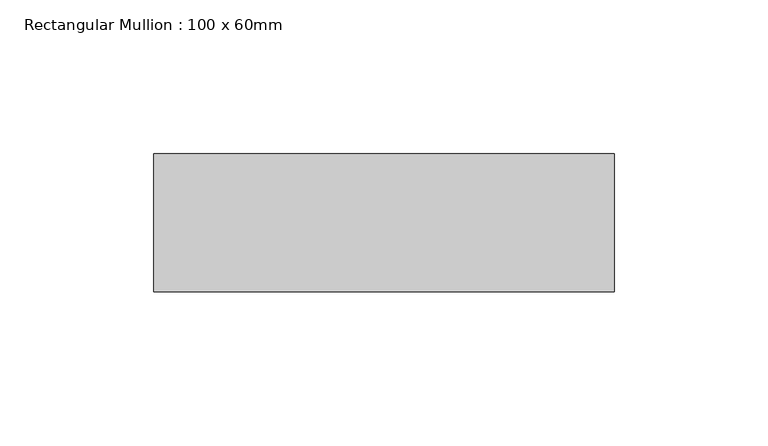
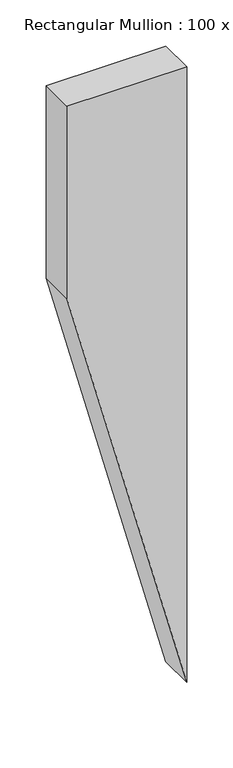
"""IFC4 building model written with IfcOpenShell, lengths in millimetres: member geometry, Rectangular Mullion : 100 x 60mm."""

from ifc_helpers import new_model, si_unit, frame, origin, place, context, project, spatial, polyline, outline, extrude, source, transform, mapped, element, save


def rectangular_mullion_100_x_60mm_d077c3c0(model_context):
    return source(origin(), model_context, "Body", "SweptSolid", [
        extrude(outline(polyline([(0.0, 75.0), (0.0, -75.0), (-254.5076507, -75.0), (-814.3152718, 75.0), (0.0, 75.0)])), frame((0.0, -15.0, 0.0), z_axis=(0.0, 1.0, 0.0), x_axis=(0.0, 0.0, 1.0)), (0.0, 0.0, 1.0), 45.0),
    ])


if __name__ == "__main__":
    model = new_model("IFC4")
    model_context = context("Model", 3, world=origin())
    ifc_project = project(units=[si_unit("LENGTHUNIT", "METRE", prefix="MILLI")], contexts=[model_context])
    site = spatial("IfcSite", under=ifc_project)
    building = spatial("IfcBuilding", under=site)
    placement = place(None, origin())
    rectangular_mullion_100_x_60mm_shape = rectangular_mullion_100_x_60mm_d077c3c0(model_context)
    element("IfcMember", 1, ObjectType="Rectangular Mullion : 100 x 60mm", at=placement, inside=building, context=model_context, shape_type="MappedRepresentation", body=[
        mapped(rectangular_mullion_100_x_60mm_shape, transform((0.0, 0.0, 0.0), x_axis=(1.0, 0.0, 0.0), y_axis=(0.0, 1.0, 0.0), z_axis=(0.0, 0.0, 1.0))),
    ])
    save(model, "model.ifc")
